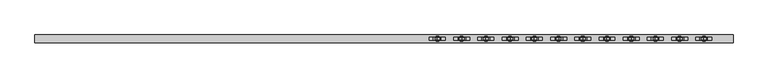
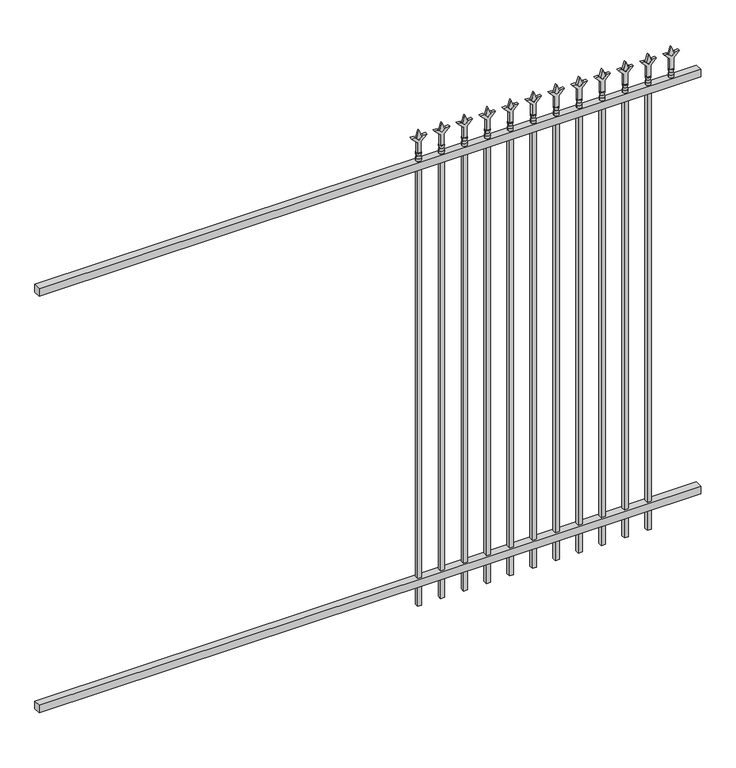
"""IFC4 building model written with IfcOpenShell, lengths in millimetres: railing geometry."""

from ifc_helpers import new_model, si_unit, frame, origin, place, context, project, spatial, polyline, circle_curve, outline, extrude, source, transform, mapped, element, save
from ifc_brep_helpers import plane_surface, cylinder_surface, revolved_surface, advanced_brep


def railing_66d29860(model_context):
    return source(origin(), model_context, "Body", "SolidModel", [
        extrude(outline(polyline([(-55249.318087, 3004.8804826), (-55249.318087, 3039.8054826), (-52099.718087, 3039.8054826), (-52099.718087, 3004.8804826), (-55249.318087, 3004.8804826)])), frame((0.0, 0.0, 2247.9), z_axis=(0.0, 0.0, 1.0), x_axis=(1.0, 0.0, 0.0)), (0.0, 0.0, 1.0), 38.1),
        extrude(outline(polyline([(-55249.318087, 3004.8804826), (-55249.318087, 3039.8054826), (-52099.718087, 3039.8054826), (-52099.718087, 3004.8804826), (-55249.318087, 3004.8804826)])), frame((0.0, 0.0, 152.4), z_axis=(0.0, 0.0, 1.0), x_axis=(1.0, 0.0, 0.0)), (0.0, 0.0, 1.0), 38.1),
        extrude(outline(polyline([(2402.68125, -52328.8472536), (2438.4, -52340.7535036), (2402.68125, -52352.6597536), (2390.775, -52340.7535036), (2402.68125, -52328.8472536)])), frame((0.0, 3017.5804826, 0.0), z_axis=(0.0, 1.0, 0.0), x_axis=(0.0, 0.0, 1.0)), (0.0, 0.0, 1.0), 9.525),
        extrude(outline(polyline([(2327.275, -52332.0222536), (2381.5457378, -52332.0222536), (2408.7355122, -52304.8324791), (2408.7355122, -52322.7929914), (2390.775, -52340.7535036), (2408.7355122, -52358.7140159), (2408.7355122, -52376.6745281), (2381.5457378, -52349.4847536), (2327.275, -52349.4847536), (2327.275, -52332.0222536)])), frame((0.0, 3015.9929826, 0.0), z_axis=(0.0, 1.0, 0.0), x_axis=(0.0, 0.0, 1.0)), (0.0, 0.0, 1.0), 12.7),
        advanced_brep(
        [(-52328.8472536, 3022.3429826, 2298.7), (-52352.6597536, 3022.3429826, 2298.7), (-52352.6597536, 3022.3429826, 2286.0), (-52328.8472536, 3022.3429826, 2286.0), (-52331.0525855, 3022.3429826, 2311.2070585), (-52350.4544218, 3022.3429826, 2311.2070585), (-52328.8472536, 3022.3429826, 2327.275), (-52352.6597536, 3022.3429826, 2327.275), (-52340.7535036, 3022.3429826, 2327.275), (-52340.7535036, 3022.3429826, 2286.0)],
        [
            (0, 1, circle_curve(frame((-52340.7535036, 3022.3429826, 2298.7), z_axis=(0.0, 0.0, -1.0), x_axis=(-1.0, 0.0, 0.0)), 11.90625)),
            (1, 2),
            (2, 3, circle_curve(frame((-52340.7535036, 3022.3429826, 2286.0), z_axis=(0.0, 0.0, 1.0), x_axis=(-1.0, 0.0, 0.0)), 11.90625)),
            (3, 0),
            (1, 0, circle_curve(frame((-52340.7535036, 3022.3429826, 2298.7), z_axis=(0.0, 0.0, -1.0), x_axis=(-1.0, 0.0, 0.0)), 11.90625)),
            (3, 2, circle_curve(frame((-52340.7535036, 3022.3429826, 2286.0), z_axis=(0.0, 0.0, 1.0), x_axis=(-1.0, 0.0, 0.0)), 11.90625)),
            (4, 5, circle_curve(frame((-52340.7535036, 3022.3429826, 2311.2070585), z_axis=(0.0, 0.0, -1.0), x_axis=(-1.0, 0.0, 0.0)), 9.7009181)),
            (5, 1),
            (0, 4),
            (5, 4, circle_curve(frame((-52340.7535036, 3022.3429826, 2311.2070585), z_axis=(0.0, 0.0, -1.0), x_axis=(-1.0, 0.0, 0.0)), 9.7009181)),
            (6, 7, circle_curve(frame((-52340.7535036, 3022.3429826, 2327.275), z_axis=(0.0, 0.0, -1.0), x_axis=(-1.0, 0.0, 0.0)), 11.90625)),
            (7, 5),
            (4, 6),
            (7, 6, circle_curve(frame((-52340.7535036, 3022.3429826, 2327.275), z_axis=(0.0, 0.0, -1.0), x_axis=(-1.0, 0.0, 0.0)), 11.90625)),
            (8, 7),
            (6, 8),
            (2, 9),
            (9, 3),
        ],
        [
            cylinder_surface(frame((-52340.7535036, 3022.3429826, 2286.0), z_axis=(0.0, 0.0, 1.0), x_axis=(-1.0, 0.0, 0.0)), 11.90625),
            revolved_surface(polyline([(-52352.6597536, 3022.3429826, 2298.7), (-52350.4544218, 3022.3429826, 2311.2070585)]), (-52340.7535036, 3022.3429826, 2286.0), (0.0, 0.0, 1.0)),
            revolved_surface(polyline([(-52350.4544218, 3022.3429826, 2311.2070585), (-52352.6597536, 3022.3429826, 2327.275)]), (-52340.7535036, 3022.3429826, 2286.0), (0.0, 0.0, 1.0)),
            plane_surface(frame((-52340.7535036, 3022.3429826, 2327.275), z_axis=(0.0, 0.0, 1.0), x_axis=(-1.0, 0.0, 0.0))),
            plane_surface(frame((-52340.7535036, 3022.3429826, 2286.0), z_axis=(0.0, 0.0, -1.0), x_axis=(-1.0, 0.0, 0.0))),
        ],
        [
            (0, [[1, 2, 3, 4]]),
            (0, [[5, -4, 6, -2]]),
            (1, [[7, 8, -1, 9]]),
            (1, [[10, -9, -5, -8]]),
            (2, [[11, 12, -7, 13]]),
            (2, [[14, -13, -10, -12]]),
            (3, [[15, -11, 16]]),
            (3, [[-16, -14, -15]]),
            (4, [[-3, 17, 18]]),
            (4, [[-6, -18, -17]]),
        ],
    ),
        extrude(outline(polyline([(-52350.2785036, 3031.8679826), (-52331.2285036, 3031.8679826), (-52331.2285036, 3012.8179826), (-52350.2785036, 3012.8179826), (-52350.2785036, 3031.8679826)])), frame((0.0, 0.0, 50.8), z_axis=(0.0, 0.0, 1.0), x_axis=(1.0, 0.0, 0.0)), (0.0, 0.0, 1.0), 2235.2),
        extrude(outline(polyline([(2402.68125, -52438.1201703), (2438.4, -52450.0264203), (2402.68125, -52461.9326703), (2390.775, -52450.0264203), (2402.68125, -52438.1201703)])), frame((0.0, 3017.5804826, 0.0), z_axis=(0.0, 1.0, 0.0), x_axis=(0.0, 0.0, 1.0)), (0.0, 0.0, 1.0), 9.525),
        extrude(outline(polyline([(2327.275, -52441.2951703), (2381.5457378, -52441.2951703), (2408.7355122, -52414.1053958), (2408.7355122, -52432.0659081), (2390.775, -52450.0264203), (2408.7355122, -52467.9869325), (2408.7355122, -52485.9474448), (2381.5457378, -52458.7576703), (2327.275, -52458.7576703), (2327.275, -52441.2951703)])), frame((0.0, 3015.9929826, 0.0), z_axis=(0.0, 1.0, 0.0), x_axis=(0.0, 0.0, 1.0)), (0.0, 0.0, 1.0), 12.7),
        advanced_brep(
        [(-52438.1201703, 3022.3429826, 2298.7), (-52461.9326703, 3022.3429826, 2298.7), (-52461.9326703, 3022.3429826, 2286.0), (-52438.1201703, 3022.3429826, 2286.0), (-52440.3255022, 3022.3429826, 2311.2070585), (-52459.7273384, 3022.3429826, 2311.2070585), (-52438.1201703, 3022.3429826, 2327.275), (-52461.9326703, 3022.3429826, 2327.275), (-52450.0264203, 3022.3429826, 2327.275), (-52450.0264203, 3022.3429826, 2286.0)],
        [
            (0, 1, circle_curve(frame((-52450.0264203, 3022.3429826, 2298.7), z_axis=(0.0, 0.0, -1.0), x_axis=(-1.0, 0.0, 0.0)), 11.90625)),
            (1, 2),
            (2, 3, circle_curve(frame((-52450.0264203, 3022.3429826, 2286.0), z_axis=(0.0, 0.0, 1.0), x_axis=(-1.0, 0.0, 0.0)), 11.90625)),
            (3, 0),
            (1, 0, circle_curve(frame((-52450.0264203, 3022.3429826, 2298.7), z_axis=(0.0, 0.0, -1.0), x_axis=(-1.0, 0.0, 0.0)), 11.90625)),
            (3, 2, circle_curve(frame((-52450.0264203, 3022.3429826, 2286.0), z_axis=(0.0, 0.0, 1.0), x_axis=(-1.0, 0.0, 0.0)), 11.90625)),
            (4, 5, circle_curve(frame((-52450.0264203, 3022.3429826, 2311.2070585), z_axis=(0.0, 0.0, -1.0), x_axis=(-1.0, 0.0, 0.0)), 9.7009181)),
            (5, 1),
            (0, 4),
            (5, 4, circle_curve(frame((-52450.0264203, 3022.3429826, 2311.2070585), z_axis=(0.0, 0.0, -1.0), x_axis=(-1.0, 0.0, 0.0)), 9.7009181)),
            (6, 7, circle_curve(frame((-52450.0264203, 3022.3429826, 2327.275), z_axis=(0.0, 0.0, -1.0), x_axis=(-1.0, 0.0, 0.0)), 11.90625)),
            (7, 5),
            (4, 6),
            (7, 6, circle_curve(frame((-52450.0264203, 3022.3429826, 2327.275), z_axis=(0.0, 0.0, -1.0), x_axis=(-1.0, 0.0, 0.0)), 11.90625)),
            (8, 7),
            (6, 8),
            (2, 9),
            (9, 3),
        ],
        [
            cylinder_surface(frame((-52450.0264203, 3022.3429826, 2286.0), z_axis=(0.0, 0.0, 1.0), x_axis=(-1.0, 0.0, 0.0)), 11.90625),
            revolved_surface(polyline([(-52461.9326703, 3022.3429826, 2298.7), (-52459.7273384, 3022.3429826, 2311.2070585)]), (-52450.0264203, 3022.3429826, 2286.0), (0.0, 0.0, 1.0)),
            revolved_surface(polyline([(-52459.7273384, 3022.3429826, 2311.2070585), (-52461.9326703, 3022.3429826, 2327.275)]), (-52450.0264203, 3022.3429826, 2286.0), (0.0, 0.0, 1.0)),
            plane_surface(frame((-52450.0264203, 3022.3429826, 2327.275), z_axis=(0.0, 0.0, 1.0), x_axis=(-1.0, 0.0, 0.0))),
            plane_surface(frame((-52450.0264203, 3022.3429826, 2286.0), z_axis=(0.0, 0.0, -1.0), x_axis=(-1.0, 0.0, 0.0))),
        ],
        [
            (0, [[1, 2, 3, 4]]),
            (0, [[5, -4, 6, -2]]),
            (1, [[7, 8, -1, 9]]),
            (1, [[10, -9, -5, -8]]),
            (2, [[11, 12, -7, 13]]),
            (2, [[14, -13, -10, -12]]),
            (3, [[15, -11, 16]]),
            (3, [[-16, -14, -15]]),
            (4, [[-3, 17, 18]]),
            (4, [[-6, -18, -17]]),
        ],
    ),
        extrude(outline(polyline([(-52459.5514203, 3031.8679826), (-52440.5014203, 3031.8679826), (-52440.5014203, 3012.8179826), (-52459.5514203, 3012.8179826), (-52459.5514203, 3031.8679826)])), frame((0.0, 0.0, 50.8), z_axis=(0.0, 0.0, 1.0), x_axis=(1.0, 0.0, 0.0)), (0.0, 0.0, 1.0), 2235.2),
        extrude(outline(polyline([(2402.68125, -52547.393087), (2438.4, -52559.299337), (2402.68125, -52571.205587), (2390.775, -52559.299337), (2402.68125, -52547.393087)])), frame((0.0, 3017.5804826, 0.0), z_axis=(0.0, 1.0, 0.0), x_axis=(0.0, 0.0, 1.0)), (0.0, 0.0, 1.0), 9.525),
        extrude(outline(polyline([(2327.275, -52550.568087), (2381.5457378, -52550.568087), (2408.7355122, -52523.3783125), (2408.7355122, -52541.3388247), (2390.775, -52559.299337), (2408.7355122, -52577.2598492), (2408.7355122, -52595.2203614), (2381.5457378, -52568.030587), (2327.275, -52568.030587), (2327.275, -52550.568087)])), frame((0.0, 3015.9929826, 0.0), z_axis=(0.0, 1.0, 0.0), x_axis=(0.0, 0.0, 1.0)), (0.0, 0.0, 1.0), 12.7),
        advanced_brep(
        [(-52547.393087, 3022.3429826, 2298.7), (-52571.205587, 3022.3429826, 2298.7), (-52571.205587, 3022.3429826, 2286.0), (-52547.393087, 3022.3429826, 2286.0), (-52549.5984188, 3022.3429826, 2311.2070585), (-52569.0002551, 3022.3429826, 2311.2070585), (-52547.393087, 3022.3429826, 2327.275), (-52571.205587, 3022.3429826, 2327.275), (-52559.299337, 3022.3429826, 2327.275), (-52559.299337, 3022.3429826, 2286.0)],
        [
            (0, 1, circle_curve(frame((-52559.299337, 3022.3429826, 2298.7), z_axis=(0.0, 0.0, -1.0), x_axis=(-1.0, 0.0, 0.0)), 11.90625)),
            (1, 2),
            (2, 3, circle_curve(frame((-52559.299337, 3022.3429826, 2286.0), z_axis=(0.0, 0.0, 1.0), x_axis=(-1.0, 0.0, 0.0)), 11.90625)),
            (3, 0),
            (1, 0, circle_curve(frame((-52559.299337, 3022.3429826, 2298.7), z_axis=(0.0, 0.0, -1.0), x_axis=(-1.0, 0.0, 0.0)), 11.90625)),
            (3, 2, circle_curve(frame((-52559.299337, 3022.3429826, 2286.0), z_axis=(0.0, 0.0, 1.0), x_axis=(-1.0, 0.0, 0.0)), 11.90625)),
            (4, 5, circle_curve(frame((-52559.299337, 3022.3429826, 2311.2070585), z_axis=(0.0, 0.0, -1.0), x_axis=(-1.0, 0.0, 0.0)), 9.7009181)),
            (5, 1),
            (0, 4),
            (5, 4, circle_curve(frame((-52559.299337, 3022.3429826, 2311.2070585), z_axis=(0.0, 0.0, -1.0), x_axis=(-1.0, 0.0, 0.0)), 9.7009181)),
            (6, 7, circle_curve(frame((-52559.299337, 3022.3429826, 2327.275), z_axis=(0.0, 0.0, -1.0), x_axis=(-1.0, 0.0, 0.0)), 11.90625)),
            (7, 5),
            (4, 6),
            (7, 6, circle_curve(frame((-52559.299337, 3022.3429826, 2327.275), z_axis=(0.0, 0.0, -1.0), x_axis=(-1.0, 0.0, 0.0)), 11.90625)),
            (8, 7),
            (6, 8),
            (2, 9),
            (9, 3),
        ],
        [
            cylinder_surface(frame((-52559.299337, 3022.3429826, 2286.0), z_axis=(0.0, 0.0, 1.0), x_axis=(-1.0, 0.0, 0.0)), 11.90625),
            revolved_surface(polyline([(-52571.205587, 3022.3429826, 2298.7), (-52569.0002551, 3022.3429826, 2311.2070585)]), (-52559.299337, 3022.3429826, 2286.0), (0.0, 0.0, 1.0)),
            revolved_surface(polyline([(-52569.0002551, 3022.3429826, 2311.2070585), (-52571.205587, 3022.3429826, 2327.275)]), (-52559.299337, 3022.3429826, 2286.0), (0.0, 0.0, 1.0)),
            plane_surface(frame((-52559.299337, 3022.3429826, 2327.275), z_axis=(0.0, 0.0, 1.0), x_axis=(-1.0, 0.0, 0.0))),
            plane_surface(frame((-52559.299337, 3022.3429826, 2286.0), z_axis=(0.0, 0.0, -1.0), x_axis=(-1.0, 0.0, 0.0))),
        ],
        [
            (0, [[1, 2, 3, 4]]),
            (0, [[5, -4, 6, -2]]),
            (1, [[7, 8, -1, 9]]),
            (1, [[10, -9, -5, -8]]),
            (2, [[11, 12, -7, 13]]),
            (2, [[14, -13, -10, -12]]),
            (3, [[15, -11, 16]]),
            (3, [[-16, -14, -15]]),
            (4, [[-3, 17, 18]]),
            (4, [[-6, -18, -17]]),
        ],
    ),
        extrude(outline(polyline([(-52568.824337, 3031.8679826), (-52549.774337, 3031.8679826), (-52549.774337, 3012.8179826), (-52568.824337, 3012.8179826), (-52568.824337, 3031.8679826)])), frame((0.0, 0.0, 50.8), z_axis=(0.0, 0.0, 1.0), x_axis=(1.0, 0.0, 0.0)), (0.0, 0.0, 1.0), 2235.2),
        extrude(outline(polyline([(2402.68125, -52656.6660036), (2438.4, -52668.5722536), (2402.68125, -52680.4785036), (2390.775, -52668.5722536), (2402.68125, -52656.6660036)])), frame((0.0, 3017.5804826, 0.0), z_axis=(0.0, 1.0, 0.0), x_axis=(0.0, 0.0, 1.0)), (0.0, 0.0, 1.0), 9.525),
        extrude(outline(polyline([(2327.275, -52659.8410036), (2381.5457378, -52659.8410036), (2408.7355122, -52632.6512291), (2408.7355122, -52650.6117414), (2390.775, -52668.5722536), (2408.7355122, -52686.5327659), (2408.7355122, -52704.4932781), (2381.5457378, -52677.3035036), (2327.275, -52677.3035036), (2327.275, -52659.8410036)])), frame((0.0, 3015.9929826, 0.0), z_axis=(0.0, 1.0, 0.0), x_axis=(0.0, 0.0, 1.0)), (0.0, 0.0, 1.0), 12.7),
        advanced_brep(
        [(-52656.6660036, 3022.3429826, 2298.7), (-52680.4785036, 3022.3429826, 2298.7), (-52680.4785036, 3022.3429826, 2286.0), (-52656.6660036, 3022.3429826, 2286.0), (-52658.8713355, 3022.3429826, 2311.2070585), (-52678.2731718, 3022.3429826, 2311.2070585), (-52656.6660036, 3022.3429826, 2327.275), (-52680.4785036, 3022.3429826, 2327.275), (-52668.5722536, 3022.3429826, 2327.275), (-52668.5722536, 3022.3429826, 2286.0)],
        [
            (0, 1, circle_curve(frame((-52668.5722536, 3022.3429826, 2298.7), z_axis=(0.0, 0.0, -1.0), x_axis=(-1.0, 0.0, 0.0)), 11.90625)),
            (1, 2),
            (2, 3, circle_curve(frame((-52668.5722536, 3022.3429826, 2286.0), z_axis=(0.0, 0.0, 1.0), x_axis=(-1.0, 0.0, 0.0)), 11.90625)),
            (3, 0),
            (1, 0, circle_curve(frame((-52668.5722536, 3022.3429826, 2298.7), z_axis=(0.0, 0.0, -1.0), x_axis=(-1.0, 0.0, 0.0)), 11.90625)),
            (3, 2, circle_curve(frame((-52668.5722536, 3022.3429826, 2286.0), z_axis=(0.0, 0.0, 1.0), x_axis=(-1.0, 0.0, 0.0)), 11.90625)),
            (4, 5, circle_curve(frame((-52668.5722536, 3022.3429826, 2311.2070585), z_axis=(0.0, 0.0, -1.0), x_axis=(-1.0, 0.0, 0.0)), 9.7009181)),
            (5, 1),
            (0, 4),
            (5, 4, circle_curve(frame((-52668.5722536, 3022.3429826, 2311.2070585), z_axis=(0.0, 0.0, -1.0), x_axis=(-1.0, 0.0, 0.0)), 9.7009181)),
            (6, 7, circle_curve(frame((-52668.5722536, 3022.3429826, 2327.275), z_axis=(0.0, 0.0, -1.0), x_axis=(-1.0, 0.0, 0.0)), 11.90625)),
            (7, 5),
            (4, 6),
            (7, 6, circle_curve(frame((-52668.5722536, 3022.3429826, 2327.275), z_axis=(0.0, 0.0, -1.0), x_axis=(-1.0, 0.0, 0.0)), 11.90625)),
            (8, 7),
            (6, 8),
            (2, 9),
            (9, 3),
        ],
        [
            cylinder_surface(frame((-52668.5722536, 3022.3429826, 2286.0), z_axis=(0.0, 0.0, 1.0), x_axis=(-1.0, 0.0, 0.0)), 11.90625),
            revolved_surface(polyline([(-52680.4785036, 3022.3429826, 2298.7), (-52678.2731718, 3022.3429826, 2311.2070585)]), (-52668.5722536, 3022.3429826, 2286.0), (0.0, 0.0, 1.0)),
            revolved_surface(polyline([(-52678.2731718, 3022.3429826, 2311.2070585), (-52680.4785036, 3022.3429826, 2327.275)]), (-52668.5722536, 3022.3429826, 2286.0), (0.0, 0.0, 1.0)),
            plane_surface(frame((-52668.5722536, 3022.3429826, 2327.275), z_axis=(0.0, 0.0, 1.0), x_axis=(-1.0, 0.0, 0.0))),
            plane_surface(frame((-52668.5722536, 3022.3429826, 2286.0), z_axis=(0.0, 0.0, -1.0), x_axis=(-1.0, 0.0, 0.0))),
        ],
        [
            (0, [[1, 2, 3, 4]]),
            (0, [[5, -4, 6, -2]]),
            (1, [[7, 8, -1, 9]]),
            (1, [[10, -9, -5, -8]]),
            (2, [[11, 12, -7, 13]]),
            (2, [[14, -13, -10, -12]]),
            (3, [[15, -11, 16]]),
            (3, [[-16, -14, -15]]),
            (4, [[-3, 17, 18]]),
            (4, [[-6, -18, -17]]),
        ],
    ),
        extrude(outline(polyline([(-52678.0972536, 3031.8679826), (-52659.0472536, 3031.8679826), (-52659.0472536, 3012.8179826), (-52678.0972536, 3012.8179826), (-52678.0972536, 3031.8679826)])), frame((0.0, 0.0, 50.8), z_axis=(0.0, 0.0, 1.0), x_axis=(1.0, 0.0, 0.0)), (0.0, 0.0, 1.0), 2235.2),
        extrude(outline(polyline([(2402.68125, -52765.9389203), (2438.4, -52777.8451703), (2402.68125, -52789.7514203), (2390.775, -52777.8451703), (2402.68125, -52765.9389203)])), frame((0.0, 3017.5804826, 0.0), z_axis=(0.0, 1.0, 0.0), x_axis=(0.0, 0.0, 1.0)), (0.0, 0.0, 1.0), 9.525),
        extrude(outline(polyline([(2327.275, -52769.1139203), (2381.5457378, -52769.1139203), (2408.7355122, -52741.9241458), (2408.7355122, -52759.8846581), (2390.775, -52777.8451703), (2408.7355122, -52795.8056825), (2408.7355122, -52813.7661948), (2381.5457378, -52786.5764203), (2327.275, -52786.5764203), (2327.275, -52769.1139203)])), frame((0.0, 3015.9929826, 0.0), z_axis=(0.0, 1.0, 0.0), x_axis=(0.0, 0.0, 1.0)), (0.0, 0.0, 1.0), 12.7),
        advanced_brep(
        [(-52765.9389203, 3022.3429826, 2298.7), (-52789.7514203, 3022.3429826, 2298.7), (-52789.7514203, 3022.3429826, 2286.0), (-52765.9389203, 3022.3429826, 2286.0), (-52768.1442522, 3022.3429826, 2311.2070585), (-52787.5460884, 3022.3429826, 2311.2070585), (-52765.9389203, 3022.3429826, 2327.275), (-52789.7514203, 3022.3429826, 2327.275), (-52777.8451703, 3022.3429826, 2327.275), (-52777.8451703, 3022.3429826, 2286.0)],
        [
            (0, 1, circle_curve(frame((-52777.8451703, 3022.3429826, 2298.7), z_axis=(0.0, 0.0, -1.0), x_axis=(-1.0, 0.0, 0.0)), 11.90625)),
            (1, 2),
            (2, 3, circle_curve(frame((-52777.8451703, 3022.3429826, 2286.0), z_axis=(0.0, 0.0, 1.0), x_axis=(-1.0, 0.0, 0.0)), 11.90625)),
            (3, 0),
            (1, 0, circle_curve(frame((-52777.8451703, 3022.3429826, 2298.7), z_axis=(0.0, 0.0, -1.0), x_axis=(-1.0, 0.0, 0.0)), 11.90625)),
            (3, 2, circle_curve(frame((-52777.8451703, 3022.3429826, 2286.0), z_axis=(0.0, 0.0, 1.0), x_axis=(-1.0, 0.0, 0.0)), 11.90625)),
            (4, 5, circle_curve(frame((-52777.8451703, 3022.3429826, 2311.2070585), z_axis=(0.0, 0.0, -1.0), x_axis=(-1.0, 0.0, 0.0)), 9.7009181)),
            (5, 1),
            (0, 4),
            (5, 4, circle_curve(frame((-52777.8451703, 3022.3429826, 2311.2070585), z_axis=(0.0, 0.0, -1.0), x_axis=(-1.0, 0.0, 0.0)), 9.7009181)),
            (6, 7, circle_curve(frame((-52777.8451703, 3022.3429826, 2327.275), z_axis=(0.0, 0.0, -1.0), x_axis=(-1.0, 0.0, 0.0)), 11.90625)),
            (7, 5),
            (4, 6),
            (7, 6, circle_curve(frame((-52777.8451703, 3022.3429826, 2327.275), z_axis=(0.0, 0.0, -1.0), x_axis=(-1.0, 0.0, 0.0)), 11.90625)),
            (8, 7),
            (6, 8),
            (2, 9),
            (9, 3),
        ],
        [
            cylinder_surface(frame((-52777.8451703, 3022.3429826, 2286.0), z_axis=(0.0, 0.0, 1.0), x_axis=(-1.0, 0.0, 0.0)), 11.90625),
            revolved_surface(polyline([(-52789.7514203, 3022.3429826, 2298.7), (-52787.5460884, 3022.3429826, 2311.2070585)]), (-52777.8451703, 3022.3429826, 2286.0), (0.0, 0.0, 1.0)),
            revolved_surface(polyline([(-52787.5460884, 3022.3429826, 2311.2070585), (-52789.7514203, 3022.3429826, 2327.275)]), (-52777.8451703, 3022.3429826, 2286.0), (0.0, 0.0, 1.0)),
            plane_surface(frame((-52777.8451703, 3022.3429826, 2327.275), z_axis=(0.0, 0.0, 1.0), x_axis=(-1.0, 0.0, 0.0))),
            plane_surface(frame((-52777.8451703, 3022.3429826, 2286.0), z_axis=(0.0, 0.0, -1.0), x_axis=(-1.0, 0.0, 0.0))),
        ],
        [
            (0, [[1, 2, 3, 4]]),
            (0, [[5, -4, 6, -2]]),
            (1, [[7, 8, -1, 9]]),
            (1, [[10, -9, -5, -8]]),
            (2, [[11, 12, -7, 13]]),
            (2, [[14, -13, -10, -12]]),
            (3, [[15, -11, 16]]),
            (3, [[-16, -14, -15]]),
            (4, [[-3, 17, 18]]),
            (4, [[-6, -18, -17]]),
        ],
    ),
        extrude(outline(polyline([(-52787.3701703, 3031.8679826), (-52768.3201703, 3031.8679826), (-52768.3201703, 3012.8179826), (-52787.3701703, 3012.8179826), (-52787.3701703, 3031.8679826)])), frame((0.0, 0.0, 50.8), z_axis=(0.0, 0.0, 1.0), x_axis=(1.0, 0.0, 0.0)), (0.0, 0.0, 1.0), 2235.2),
        extrude(outline(polyline([(2402.68125, -52875.211837), (2438.4, -52887.118087), (2402.68125, -52899.024337), (2390.775, -52887.118087), (2402.68125, -52875.211837)])), frame((0.0, 3017.5804826, 0.0), z_axis=(0.0, 1.0, 0.0), x_axis=(0.0, 0.0, 1.0)), (0.0, 0.0, 1.0), 9.525),
        extrude(outline(polyline([(2327.275, -52878.386837), (2381.5457378, -52878.386837), (2408.7355122, -52851.1970625), (2408.7355122, -52869.1575747), (2390.775, -52887.118087), (2408.7355122, -52905.0785992), (2408.7355122, -52923.0391114), (2381.5457378, -52895.849337), (2327.275, -52895.849337), (2327.275, -52878.386837)])), frame((0.0, 3015.9929826, 0.0), z_axis=(0.0, 1.0, 0.0), x_axis=(0.0, 0.0, 1.0)), (0.0, 0.0, 1.0), 12.7),
        advanced_brep(
        [(-52875.211837, 3022.3429826, 2298.7), (-52899.024337, 3022.3429826, 2298.7), (-52899.024337, 3022.3429826, 2286.0), (-52875.211837, 3022.3429826, 2286.0), (-52877.4171688, 3022.3429826, 2311.2070585), (-52896.8190051, 3022.3429826, 2311.2070585), (-52875.211837, 3022.3429826, 2327.275), (-52899.024337, 3022.3429826, 2327.275), (-52887.118087, 3022.3429826, 2327.275), (-52887.118087, 3022.3429826, 2286.0)],
        [
            (0, 1, circle_curve(frame((-52887.118087, 3022.3429826, 2298.7), z_axis=(0.0, 0.0, -1.0), x_axis=(-1.0, 0.0, 0.0)), 11.90625)),
            (1, 2),
            (2, 3, circle_curve(frame((-52887.118087, 3022.3429826, 2286.0), z_axis=(0.0, 0.0, 1.0), x_axis=(-1.0, 0.0, 0.0)), 11.90625)),
            (3, 0),
            (1, 0, circle_curve(frame((-52887.118087, 3022.3429826, 2298.7), z_axis=(0.0, 0.0, -1.0), x_axis=(-1.0, 0.0, 0.0)), 11.90625)),
            (3, 2, circle_curve(frame((-52887.118087, 3022.3429826, 2286.0), z_axis=(0.0, 0.0, 1.0), x_axis=(-1.0, 0.0, 0.0)), 11.90625)),
            (4, 5, circle_curve(frame((-52887.118087, 3022.3429826, 2311.2070585), z_axis=(0.0, 0.0, -1.0), x_axis=(-1.0, 0.0, 0.0)), 9.7009181)),
            (5, 1),
            (0, 4),
            (5, 4, circle_curve(frame((-52887.118087, 3022.3429826, 2311.2070585), z_axis=(0.0, 0.0, -1.0), x_axis=(-1.0, 0.0, 0.0)), 9.7009181)),
            (6, 7, circle_curve(frame((-52887.118087, 3022.3429826, 2327.275), z_axis=(0.0, 0.0, -1.0), x_axis=(-1.0, 0.0, 0.0)), 11.90625)),
            (7, 5),
            (4, 6),
            (7, 6, circle_curve(frame((-52887.118087, 3022.3429826, 2327.275), z_axis=(0.0, 0.0, -1.0), x_axis=(-1.0, 0.0, 0.0)), 11.90625)),
            (8, 7),
            (6, 8),
            (2, 9),
            (9, 3),
        ],
        [
            cylinder_surface(frame((-52887.118087, 3022.3429826, 2286.0), z_axis=(0.0, 0.0, 1.0), x_axis=(-1.0, 0.0, 0.0)), 11.90625),
            revolved_surface(polyline([(-52899.024337, 3022.3429826, 2298.7), (-52896.8190051, 3022.3429826, 2311.2070585)]), (-52887.118087, 3022.3429826, 2286.0), (0.0, 0.0, 1.0)),
            revolved_surface(polyline([(-52896.8190051, 3022.3429826, 2311.2070585), (-52899.024337, 3022.3429826, 2327.275)]), (-52887.118087, 3022.3429826, 2286.0), (0.0, 0.0, 1.0)),
            plane_surface(frame((-52887.118087, 3022.3429826, 2327.275), z_axis=(0.0, 0.0, 1.0), x_axis=(-1.0, 0.0, 0.0))),
            plane_surface(frame((-52887.118087, 3022.3429826, 2286.0), z_axis=(0.0, 0.0, -1.0), x_axis=(-1.0, 0.0, 0.0))),
        ],
        [
            (0, [[1, 2, 3, 4]]),
            (0, [[5, -4, 6, -2]]),
            (1, [[7, 8, -1, 9]]),
            (1, [[10, -9, -5, -8]]),
            (2, [[11, 12, -7, 13]]),
            (2, [[14, -13, -10, -12]]),
            (3, [[15, -11, 16]]),
            (3, [[-16, -14, -15]]),
            (4, [[-3, 17, 18]]),
            (4, [[-6, -18, -17]]),
        ],
    ),
        extrude(outline(polyline([(-52896.643087, 3031.8679826), (-52877.593087, 3031.8679826), (-52877.593087, 3012.8179826), (-52896.643087, 3012.8179826), (-52896.643087, 3031.8679826)])), frame((0.0, 0.0, 50.8), z_axis=(0.0, 0.0, 1.0), x_axis=(1.0, 0.0, 0.0)), (0.0, 0.0, 1.0), 2235.2),
        extrude(outline(polyline([(2402.68125, -52984.4847536), (2438.4, -52996.3910036), (2402.68125, -53008.2972536), (2390.775, -52996.3910036), (2402.68125, -52984.4847536)])), frame((0.0, 3017.5804826, 0.0), z_axis=(0.0, 1.0, 0.0), x_axis=(0.0, 0.0, 1.0)), (0.0, 0.0, 1.0), 9.525),
        extrude(outline(polyline([(2327.275, -52987.6597536), (2381.5457378, -52987.6597536), (2408.7355122, -52960.4699791), (2408.7355122, -52978.4304914), (2390.775, -52996.3910036), (2408.7355122, -53014.3515159), (2408.7355122, -53032.3120281), (2381.5457378, -53005.1222536), (2327.275, -53005.1222536), (2327.275, -52987.6597536)])), frame((0.0, 3015.9929826, 0.0), z_axis=(0.0, 1.0, 0.0), x_axis=(0.0, 0.0, 1.0)), (0.0, 0.0, 1.0), 12.7),
        advanced_brep(
        [(-52984.4847536, 3022.3429826, 2298.7), (-53008.2972536, 3022.3429826, 2298.7), (-53008.2972536, 3022.3429826, 2286.0), (-52984.4847536, 3022.3429826, 2286.0), (-52986.6900855, 3022.3429826, 2311.2070585), (-53006.0919218, 3022.3429826, 2311.2070585), (-52984.4847536, 3022.3429826, 2327.275), (-53008.2972536, 3022.3429826, 2327.275), (-52996.3910036, 3022.3429826, 2327.275), (-52996.3910036, 3022.3429826, 2286.0)],
        [
            (0, 1, circle_curve(frame((-52996.3910036, 3022.3429826, 2298.7), z_axis=(0.0, 0.0, -1.0), x_axis=(-1.0, 0.0, 0.0)), 11.90625)),
            (1, 2),
            (2, 3, circle_curve(frame((-52996.3910036, 3022.3429826, 2286.0), z_axis=(0.0, 0.0, 1.0), x_axis=(-1.0, 0.0, 0.0)), 11.90625)),
            (3, 0),
            (1, 0, circle_curve(frame((-52996.3910036, 3022.3429826, 2298.7), z_axis=(0.0, 0.0, -1.0), x_axis=(-1.0, 0.0, 0.0)), 11.90625)),
            (3, 2, circle_curve(frame((-52996.3910036, 3022.3429826, 2286.0), z_axis=(0.0, 0.0, 1.0), x_axis=(-1.0, 0.0, 0.0)), 11.90625)),
            (4, 5, circle_curve(frame((-52996.3910036, 3022.3429826, 2311.2070585), z_axis=(0.0, 0.0, -1.0), x_axis=(-1.0, 0.0, 0.0)), 9.7009181)),
            (5, 1),
            (0, 4),
            (5, 4, circle_curve(frame((-52996.3910036, 3022.3429826, 2311.2070585), z_axis=(0.0, 0.0, -1.0), x_axis=(-1.0, 0.0, 0.0)), 9.7009181)),
            (6, 7, circle_curve(frame((-52996.3910036, 3022.3429826, 2327.275), z_axis=(0.0, 0.0, -1.0), x_axis=(-1.0, 0.0, 0.0)), 11.90625)),
            (7, 5),
            (4, 6),
            (7, 6, circle_curve(frame((-52996.3910036, 3022.3429826, 2327.275), z_axis=(0.0, 0.0, -1.0), x_axis=(-1.0, 0.0, 0.0)), 11.90625)),
            (8, 7),
            (6, 8),
            (2, 9),
            (9, 3),
        ],
        [
            cylinder_surface(frame((-52996.3910036, 3022.3429826, 2286.0), z_axis=(0.0, 0.0, 1.0), x_axis=(-1.0, 0.0, 0.0)), 11.90625),
            revolved_surface(polyline([(-53008.2972536, 3022.3429826, 2298.7), (-53006.0919218, 3022.3429826, 2311.2070585)]), (-52996.3910036, 3022.3429826, 2286.0), (0.0, 0.0, 1.0)),
            revolved_surface(polyline([(-53006.0919218, 3022.3429826, 2311.2070585), (-53008.2972536, 3022.3429826, 2327.275)]), (-52996.3910036, 3022.3429826, 2286.0), (0.0, 0.0, 1.0)),
            plane_surface(frame((-52996.3910036, 3022.3429826, 2327.275), z_axis=(0.0, 0.0, 1.0), x_axis=(-1.0, 0.0, 0.0))),
            plane_surface(frame((-52996.3910036, 3022.3429826, 2286.0), z_axis=(0.0, 0.0, -1.0), x_axis=(-1.0, 0.0, 0.0))),
        ],
        [
            (0, [[1, 2, 3, 4]]),
            (0, [[5, -4, 6, -2]]),
            (1, [[7, 8, -1, 9]]),
            (1, [[10, -9, -5, -8]]),
            (2, [[11, 12, -7, 13]]),
            (2, [[14, -13, -10, -12]]),
            (3, [[15, -11, 16]]),
            (3, [[-16, -14, -15]]),
            (4, [[-3, 17, 18]]),
            (4, [[-6, -18, -17]]),
        ],
    ),
        extrude(outline(polyline([(-53005.9160036, 3031.8679826), (-52986.8660036, 3031.8679826), (-52986.8660036, 3012.8179826), (-53005.9160036, 3012.8179826), (-53005.9160036, 3031.8679826)])), frame((0.0, 0.0, 50.8), z_axis=(0.0, 0.0, 1.0), x_axis=(1.0, 0.0, 0.0)), (0.0, 0.0, 1.0), 2235.2),
        extrude(outline(polyline([(2402.68125, -53093.7576703), (2438.4, -53105.6639203), (2402.68125, -53117.5701703), (2390.775, -53105.6639203), (2402.68125, -53093.7576703)])), frame((0.0, 3017.5804826, 0.0), z_axis=(0.0, 1.0, 0.0), x_axis=(0.0, 0.0, 1.0)), (0.0, 0.0, 1.0), 9.525),
        extrude(outline(polyline([(2327.275, -53096.9326703), (2381.5457378, -53096.9326703), (2408.7355122, -53069.7428958), (2408.7355122, -53087.7034081), (2390.775, -53105.6639203), (2408.7355122, -53123.6244325), (2408.7355122, -53141.5849448), (2381.5457378, -53114.3951703), (2327.275, -53114.3951703), (2327.275, -53096.9326703)])), frame((0.0, 3015.9929826, 0.0), z_axis=(0.0, 1.0, 0.0), x_axis=(0.0, 0.0, 1.0)), (0.0, 0.0, 1.0), 12.7),
        advanced_brep(
        [(-53093.7576703, 3022.3429826, 2298.7), (-53117.5701703, 3022.3429826, 2298.7), (-53117.5701703, 3022.3429826, 2286.0), (-53093.7576703, 3022.3429826, 2286.0), (-53095.9630022, 3022.3429826, 2311.2070585), (-53115.3648384, 3022.3429826, 2311.2070585), (-53093.7576703, 3022.3429826, 2327.275), (-53117.5701703, 3022.3429826, 2327.275), (-53105.6639203, 3022.3429826, 2327.275), (-53105.6639203, 3022.3429826, 2286.0)],
        [
            (0, 1, circle_curve(frame((-53105.6639203, 3022.3429826, 2298.7), z_axis=(0.0, 0.0, -1.0), x_axis=(-1.0, 0.0, 0.0)), 11.90625)),
            (1, 2),
            (2, 3, circle_curve(frame((-53105.6639203, 3022.3429826, 2286.0), z_axis=(0.0, 0.0, 1.0), x_axis=(-1.0, 0.0, 0.0)), 11.90625)),
            (3, 0),
            (1, 0, circle_curve(frame((-53105.6639203, 3022.3429826, 2298.7), z_axis=(0.0, 0.0, -1.0), x_axis=(-1.0, 0.0, 0.0)), 11.90625)),
            (3, 2, circle_curve(frame((-53105.6639203, 3022.3429826, 2286.0), z_axis=(0.0, 0.0, 1.0), x_axis=(-1.0, 0.0, 0.0)), 11.90625)),
            (4, 5, circle_curve(frame((-53105.6639203, 3022.3429826, 2311.2070585), z_axis=(0.0, 0.0, -1.0), x_axis=(-1.0, 0.0, 0.0)), 9.7009181)),
            (5, 1),
            (0, 4),
            (5, 4, circle_curve(frame((-53105.6639203, 3022.3429826, 2311.2070585), z_axis=(0.0, 0.0, -1.0), x_axis=(-1.0, 0.0, 0.0)), 9.7009181)),
            (6, 7, circle_curve(frame((-53105.6639203, 3022.3429826, 2327.275), z_axis=(0.0, 0.0, -1.0), x_axis=(-1.0, 0.0, 0.0)), 11.90625)),
            (7, 5),
            (4, 6),
            (7, 6, circle_curve(frame((-53105.6639203, 3022.3429826, 2327.275), z_axis=(0.0, 0.0, -1.0), x_axis=(-1.0, 0.0, 0.0)), 11.90625)),
            (8, 7),
            (6, 8),
            (2, 9),
            (9, 3),
        ],
        [
            cylinder_surface(frame((-53105.6639203, 3022.3429826, 2286.0), z_axis=(0.0, 0.0, 1.0), x_axis=(-1.0, 0.0, 0.0)), 11.90625),
            revolved_surface(polyline([(-53117.5701703, 3022.3429826, 2298.7), (-53115.3648384, 3022.3429826, 2311.2070585)]), (-53105.6639203, 3022.3429826, 2286.0), (0.0, 0.0, 1.0)),
            revolved_surface(polyline([(-53115.3648384, 3022.3429826, 2311.2070585), (-53117.5701703, 3022.3429826, 2327.275)]), (-53105.6639203, 3022.3429826, 2286.0), (0.0, 0.0, 1.0)),
            plane_surface(frame((-53105.6639203, 3022.3429826, 2327.275), z_axis=(0.0, 0.0, 1.0), x_axis=(-1.0, 0.0, 0.0))),
            plane_surface(frame((-53105.6639203, 3022.3429826, 2286.0), z_axis=(0.0, 0.0, -1.0), x_axis=(-1.0, 0.0, 0.0))),
        ],
        [
            (0, [[1, 2, 3, 4]]),
            (0, [[5, -4, 6, -2]]),
            (1, [[7, 8, -1, 9]]),
            (1, [[10, -9, -5, -8]]),
            (2, [[11, 12, -7, 13]]),
            (2, [[14, -13, -10, -12]]),
            (3, [[15, -11, 16]]),
            (3, [[-16, -14, -15]]),
            (4, [[-3, 17, 18]]),
            (4, [[-6, -18, -17]]),
        ],
    ),
        extrude(outline(polyline([(-53115.1889203, 3031.8679826), (-53096.1389203, 3031.8679826), (-53096.1389203, 3012.8179826), (-53115.1889203, 3012.8179826), (-53115.1889203, 3031.8679826)])), frame((0.0, 0.0, 50.8), z_axis=(0.0, 0.0, 1.0), x_axis=(1.0, 0.0, 0.0)), (0.0, 0.0, 1.0), 2235.2),
        extrude(outline(polyline([(2402.68125, -53203.030587), (2438.4, -53214.936837), (2402.68125, -53226.843087), (2390.775, -53214.936837), (2402.68125, -53203.030587)])), frame((0.0, 3017.5804826, 0.0), z_axis=(0.0, 1.0, 0.0), x_axis=(0.0, 0.0, 1.0)), (0.0, 0.0, 1.0), 9.525),
        extrude(outline(polyline([(2327.275, -53206.205587), (2381.5457378, -53206.205587), (2408.7355122, -53179.0158125), (2408.7355122, -53196.9763247), (2390.775, -53214.936837), (2408.7355122, -53232.8973492), (2408.7355122, -53250.8578614), (2381.5457378, -53223.668087), (2327.275, -53223.668087), (2327.275, -53206.205587)])), frame((0.0, 3015.9929826, 0.0), z_axis=(0.0, 1.0, 0.0), x_axis=(0.0, 0.0, 1.0)), (0.0, 0.0, 1.0), 12.7),
        advanced_brep(
        [(-53203.030587, 3022.3429826, 2298.7), (-53226.843087, 3022.3429826, 2298.7), (-53226.843087, 3022.3429826, 2286.0), (-53203.030587, 3022.3429826, 2286.0), (-53205.2359188, 3022.3429826, 2311.2070585), (-53224.6377551, 3022.3429826, 2311.2070585), (-53203.030587, 3022.3429826, 2327.275), (-53226.843087, 3022.3429826, 2327.275), (-53214.936837, 3022.3429826, 2327.275), (-53214.936837, 3022.3429826, 2286.0)],
        [
            (0, 1, circle_curve(frame((-53214.936837, 3022.3429826, 2298.7), z_axis=(0.0, 0.0, -1.0), x_axis=(-1.0, 0.0, 0.0)), 11.90625)),
            (1, 2),
            (2, 3, circle_curve(frame((-53214.936837, 3022.3429826, 2286.0), z_axis=(0.0, 0.0, 1.0), x_axis=(-1.0, 0.0, 0.0)), 11.90625)),
            (3, 0),
            (1, 0, circle_curve(frame((-53214.936837, 3022.3429826, 2298.7), z_axis=(0.0, 0.0, -1.0), x_axis=(-1.0, 0.0, 0.0)), 11.90625)),
            (3, 2, circle_curve(frame((-53214.936837, 3022.3429826, 2286.0), z_axis=(0.0, 0.0, 1.0), x_axis=(-1.0, 0.0, 0.0)), 11.90625)),
            (4, 5, circle_curve(frame((-53214.936837, 3022.3429826, 2311.2070585), z_axis=(0.0, 0.0, -1.0), x_axis=(-1.0, 0.0, 0.0)), 9.7009181)),
            (5, 1),
            (0, 4),
            (5, 4, circle_curve(frame((-53214.936837, 3022.3429826, 2311.2070585), z_axis=(0.0, 0.0, -1.0), x_axis=(-1.0, 0.0, 0.0)), 9.7009181)),
            (6, 7, circle_curve(frame((-53214.936837, 3022.3429826, 2327.275), z_axis=(0.0, 0.0, -1.0), x_axis=(-1.0, 0.0, 0.0)), 11.90625)),
            (7, 5),
            (4, 6),
            (7, 6, circle_curve(frame((-53214.936837, 3022.3429826, 2327.275), z_axis=(0.0, 0.0, -1.0), x_axis=(-1.0, 0.0, 0.0)), 11.90625)),
            (8, 7),
            (6, 8),
            (2, 9),
            (9, 3),
        ],
        [
            cylinder_surface(frame((-53214.936837, 3022.3429826, 2286.0), z_axis=(0.0, 0.0, 1.0), x_axis=(-1.0, 0.0, 0.0)), 11.90625),
            revolved_surface(polyline([(-53226.843087, 3022.3429826, 2298.7), (-53224.6377551, 3022.3429826, 2311.2070585)]), (-53214.936837, 3022.3429826, 2286.0), (0.0, 0.0, 1.0)),
            revolved_surface(polyline([(-53224.6377551, 3022.3429826, 2311.2070585), (-53226.843087, 3022.3429826, 2327.275)]), (-53214.936837, 3022.3429826, 2286.0), (0.0, 0.0, 1.0)),
            plane_surface(frame((-53214.936837, 3022.3429826, 2327.275), z_axis=(0.0, 0.0, 1.0), x_axis=(-1.0, 0.0, 0.0))),
            plane_surface(frame((-53214.936837, 3022.3429826, 2286.0), z_axis=(0.0, 0.0, -1.0), x_axis=(-1.0, 0.0, 0.0))),
        ],
        [
            (0, [[1, 2, 3, 4]]),
            (0, [[5, -4, 6, -2]]),
            (1, [[7, 8, -1, 9]]),
            (1, [[10, -9, -5, -8]]),
            (2, [[11, 12, -7, 13]]),
            (2, [[14, -13, -10, -12]]),
            (3, [[15, -11, 16]]),
            (3, [[-16, -14, -15]]),
            (4, [[-3, 17, 18]]),
            (4, [[-6, -18, -17]]),
        ],
    ),
        extrude(outline(polyline([(-53224.461837, 3031.8679826), (-53205.411837, 3031.8679826), (-53205.411837, 3012.8179826), (-53224.461837, 3012.8179826), (-53224.461837, 3031.8679826)])), frame((0.0, 0.0, 50.8), z_axis=(0.0, 0.0, 1.0), x_axis=(1.0, 0.0, 0.0)), (0.0, 0.0, 1.0), 2235.2),
        extrude(outline(polyline([(2402.68125, -53312.3035036), (2438.4, -53324.2097536), (2402.68125, -53336.1160036), (2390.775, -53324.2097536), (2402.68125, -53312.3035036)])), frame((0.0, 3017.5804826, 0.0), z_axis=(0.0, 1.0, 0.0), x_axis=(0.0, 0.0, 1.0)), (0.0, 0.0, 1.0), 9.525),
        extrude(outline(polyline([(2327.275, -53315.4785036), (2381.5457378, -53315.4785036), (2408.7355122, -53288.2887291), (2408.7355122, -53306.2492414), (2390.775, -53324.2097536), (2408.7355122, -53342.1702659), (2408.7355122, -53360.1307781), (2381.5457378, -53332.9410036), (2327.275, -53332.9410036), (2327.275, -53315.4785036)])), frame((0.0, 3015.9929826, 0.0), z_axis=(0.0, 1.0, 0.0), x_axis=(0.0, 0.0, 1.0)), (0.0, 0.0, 1.0), 12.7),
        advanced_brep(
        [(-53312.3035036, 3022.3429826, 2298.7), (-53336.1160036, 3022.3429826, 2298.7), (-53336.1160036, 3022.3429826, 2286.0), (-53312.3035036, 3022.3429826, 2286.0), (-53314.5088355, 3022.3429826, 2311.2070585), (-53333.9106718, 3022.3429826, 2311.2070585), (-53312.3035036, 3022.3429826, 2327.275), (-53336.1160036, 3022.3429826, 2327.275), (-53324.2097536, 3022.3429826, 2327.275), (-53324.2097536, 3022.3429826, 2286.0)],
        [
            (0, 1, circle_curve(frame((-53324.2097536, 3022.3429826, 2298.7), z_axis=(0.0, 0.0, -1.0), x_axis=(-1.0, 0.0, 0.0)), 11.90625)),
            (1, 2),
            (2, 3, circle_curve(frame((-53324.2097536, 3022.3429826, 2286.0), z_axis=(0.0, 0.0, 1.0), x_axis=(-1.0, 0.0, 0.0)), 11.90625)),
            (3, 0),
            (1, 0, circle_curve(frame((-53324.2097536, 3022.3429826, 2298.7), z_axis=(0.0, 0.0, -1.0), x_axis=(-1.0, 0.0, 0.0)), 11.90625)),
            (3, 2, circle_curve(frame((-53324.2097536, 3022.3429826, 2286.0), z_axis=(0.0, 0.0, 1.0), x_axis=(-1.0, 0.0, 0.0)), 11.90625)),
            (4, 5, circle_curve(frame((-53324.2097536, 3022.3429826, 2311.2070585), z_axis=(0.0, 0.0, -1.0), x_axis=(-1.0, 0.0, 0.0)), 9.7009181)),
            (5, 1),
            (0, 4),
            (5, 4, circle_curve(frame((-53324.2097536, 3022.3429826, 2311.2070585), z_axis=(0.0, 0.0, -1.0), x_axis=(-1.0, 0.0, 0.0)), 9.7009181)),
            (6, 7, circle_curve(frame((-53324.2097536, 3022.3429826, 2327.275), z_axis=(0.0, 0.0, -1.0), x_axis=(-1.0, 0.0, 0.0)), 11.90625)),
            (7, 5),
            (4, 6),
            (7, 6, circle_curve(frame((-53324.2097536, 3022.3429826, 2327.275), z_axis=(0.0, 0.0, -1.0), x_axis=(-1.0, 0.0, 0.0)), 11.90625)),
            (8, 7),
            (6, 8),
            (2, 9),
            (9, 3),
        ],
        [
            cylinder_surface(frame((-53324.2097536, 3022.3429826, 2286.0), z_axis=(0.0, 0.0, 1.0), x_axis=(-1.0, 0.0, 0.0)), 11.90625),
            revolved_surface(polyline([(-53336.1160036, 3022.3429826, 2298.7), (-53333.9106718, 3022.3429826, 2311.2070585)]), (-53324.2097536, 3022.3429826, 2286.0), (0.0, 0.0, 1.0)),
            revolved_surface(polyline([(-53333.9106718, 3022.3429826, 2311.2070585), (-53336.1160036, 3022.3429826, 2327.275)]), (-53324.2097536, 3022.3429826, 2286.0), (0.0, 0.0, 1.0)),
            plane_surface(frame((-53324.2097536, 3022.3429826, 2327.275), z_axis=(0.0, 0.0, 1.0), x_axis=(-1.0, 0.0, 0.0))),
            plane_surface(frame((-53324.2097536, 3022.3429826, 2286.0), z_axis=(0.0, 0.0, -1.0), x_axis=(-1.0, 0.0, 0.0))),
        ],
        [
            (0, [[1, 2, 3, 4]]),
            (0, [[5, -4, 6, -2]]),
            (1, [[7, 8, -1, 9]]),
            (1, [[10, -9, -5, -8]]),
            (2, [[11, 12, -7, 13]]),
            (2, [[14, -13, -10, -12]]),
            (3, [[15, -11, 16]]),
            (3, [[-16, -14, -15]]),
            (4, [[-3, 17, 18]]),
            (4, [[-6, -18, -17]]),
        ],
    ),
        extrude(outline(polyline([(-53333.7347536, 3031.8679826), (-53314.6847536, 3031.8679826), (-53314.6847536, 3012.8179826), (-53333.7347536, 3012.8179826), (-53333.7347536, 3031.8679826)])), frame((0.0, 0.0, 50.8), z_axis=(0.0, 0.0, 1.0), x_axis=(1.0, 0.0, 0.0)), (0.0, 0.0, 1.0), 2235.2),
        extrude(outline(polyline([(2402.68125, -53421.5764203), (2438.4, -53433.4826703), (2402.68125, -53445.3889203), (2390.775, -53433.4826703), (2402.68125, -53421.5764203)])), frame((0.0, 3017.5804826, 0.0), z_axis=(0.0, 1.0, 0.0), x_axis=(0.0, 0.0, 1.0)), (0.0, 0.0, 1.0), 9.525),
        extrude(outline(polyline([(2327.275, -53424.7514203), (2381.5457378, -53424.7514203), (2408.7355122, -53397.5616458), (2408.7355122, -53415.5221581), (2390.775, -53433.4826703), (2408.7355122, -53451.4431825), (2408.7355122, -53469.4036948), (2381.5457378, -53442.2139203), (2327.275, -53442.2139203), (2327.275, -53424.7514203)])), frame((0.0, 3015.9929826, 0.0), z_axis=(0.0, 1.0, 0.0), x_axis=(0.0, 0.0, 1.0)), (0.0, 0.0, 1.0), 12.7),
        advanced_brep(
        [(-53421.5764203, 3022.3429826, 2298.7), (-53445.3889203, 3022.3429826, 2298.7), (-53445.3889203, 3022.3429826, 2286.0), (-53421.5764203, 3022.3429826, 2286.0), (-53423.7817522, 3022.3429826, 2311.2070585), (-53443.1835884, 3022.3429826, 2311.2070585), (-53421.5764203, 3022.3429826, 2327.275), (-53445.3889203, 3022.3429826, 2327.275), (-53433.4826703, 3022.3429826, 2327.275), (-53433.4826703, 3022.3429826, 2286.0)],
        [
            (0, 1, circle_curve(frame((-53433.4826703, 3022.3429826, 2298.7), z_axis=(0.0, 0.0, -1.0), x_axis=(-1.0, 0.0, 0.0)), 11.90625)),
            (1, 2),
            (2, 3, circle_curve(frame((-53433.4826703, 3022.3429826, 2286.0), z_axis=(0.0, 0.0, 1.0), x_axis=(-1.0, 0.0, 0.0)), 11.90625)),
            (3, 0),
            (1, 0, circle_curve(frame((-53433.4826703, 3022.3429826, 2298.7), z_axis=(0.0, 0.0, -1.0), x_axis=(-1.0, 0.0, 0.0)), 11.90625)),
            (3, 2, circle_curve(frame((-53433.4826703, 3022.3429826, 2286.0), z_axis=(0.0, 0.0, 1.0), x_axis=(-1.0, 0.0, 0.0)), 11.90625)),
            (4, 5, circle_curve(frame((-53433.4826703, 3022.3429826, 2311.2070585), z_axis=(0.0, 0.0, -1.0), x_axis=(-1.0, 0.0, 0.0)), 9.7009181)),
            (5, 1),
            (0, 4),
            (5, 4, circle_curve(frame((-53433.4826703, 3022.3429826, 2311.2070585), z_axis=(0.0, 0.0, -1.0), x_axis=(-1.0, 0.0, 0.0)), 9.7009181)),
            (6, 7, circle_curve(frame((-53433.4826703, 3022.3429826, 2327.275), z_axis=(0.0, 0.0, -1.0), x_axis=(-1.0, 0.0, 0.0)), 11.90625)),
            (7, 5),
            (4, 6),
            (7, 6, circle_curve(frame((-53433.4826703, 3022.3429826, 2327.275), z_axis=(0.0, 0.0, -1.0), x_axis=(-1.0, 0.0, 0.0)), 11.90625)),
            (8, 7),
            (6, 8),
            (2, 9),
            (9, 3),
        ],
        [
            cylinder_surface(frame((-53433.4826703, 3022.3429826, 2286.0), z_axis=(0.0, 0.0, 1.0), x_axis=(-1.0, 0.0, 0.0)), 11.90625),
            revolved_surface(polyline([(-53445.3889203, 3022.3429826, 2298.7), (-53443.1835884, 3022.3429826, 2311.2070585)]), (-53433.4826703, 3022.3429826, 2286.0), (0.0, 0.0, 1.0)),
            revolved_surface(polyline([(-53443.1835884, 3022.3429826, 2311.2070585), (-53445.3889203, 3022.3429826, 2327.275)]), (-53433.4826703, 3022.3429826, 2286.0), (0.0, 0.0, 1.0)),
            plane_surface(frame((-53433.4826703, 3022.3429826, 2327.275), z_axis=(0.0, 0.0, 1.0), x_axis=(-1.0, 0.0, 0.0))),
            plane_surface(frame((-53433.4826703, 3022.3429826, 2286.0), z_axis=(0.0, 0.0, -1.0), x_axis=(-1.0, 0.0, 0.0))),
        ],
        [
            (0, [[1, 2, 3, 4]]),
            (0, [[5, -4, 6, -2]]),
            (1, [[7, 8, -1, 9]]),
            (1, [[10, -9, -5, -8]]),
            (2, [[11, 12, -7, 13]]),
            (2, [[14, -13, -10, -12]]),
            (3, [[15, -11, 16]]),
            (3, [[-16, -14, -15]]),
            (4, [[-3, 17, 18]]),
            (4, [[-6, -18, -17]]),
        ],
    ),
        extrude(outline(polyline([(-53443.0076703, 3031.8679826), (-53423.9576703, 3031.8679826), (-53423.9576703, 3012.8179826), (-53443.0076703, 3012.8179826), (-53443.0076703, 3031.8679826)])), frame((0.0, 0.0, 50.8), z_axis=(0.0, 0.0, 1.0), x_axis=(1.0, 0.0, 0.0)), (0.0, 0.0, 1.0), 2235.2),
        extrude(outline(polyline([(2402.68125, -52219.574337), (2438.4, -52231.480587), (2402.68125, -52243.386837), (2390.775, -52231.480587), (2402.68125, -52219.574337)])), frame((0.0, 3017.5804826, 0.0), z_axis=(0.0, 1.0, 0.0), x_axis=(0.0, 0.0, 1.0)), (0.0, 0.0, 1.0), 9.525),
        extrude(outline(polyline([(2327.275, -52222.749337), (2381.5457378, -52222.749337), (2408.7355122, -52195.5595625), (2408.7355122, -52213.5200747), (2390.775, -52231.480587), (2408.7355122, -52249.4410992), (2408.7355122, -52267.4016114), (2381.5457378, -52240.211837), (2327.275, -52240.211837), (2327.275, -52222.749337)])), frame((0.0, 3015.9929826, 0.0), z_axis=(0.0, 1.0, 0.0), x_axis=(0.0, 0.0, 1.0)), (0.0, 0.0, 1.0), 12.7),
        advanced_brep(
        [(-52219.574337, 3022.3429826, 2298.7), (-52243.386837, 3022.3429826, 2298.7), (-52243.386837, 3022.3429826, 2286.0), (-52219.574337, 3022.3429826, 2286.0), (-52221.7796688, 3022.3429826, 2311.2070585), (-52241.1815051, 3022.3429826, 2311.2070585), (-52219.574337, 3022.3429826, 2327.275), (-52243.386837, 3022.3429826, 2327.275), (-52231.480587, 3022.3429826, 2327.275), (-52231.480587, 3022.3429826, 2286.0)],
        [
            (0, 1, circle_curve(frame((-52231.480587, 3022.3429826, 2298.7), z_axis=(0.0, 0.0, -1.0), x_axis=(-1.0, 0.0, 0.0)), 11.90625)),
            (1, 2),
            (2, 3, circle_curve(frame((-52231.480587, 3022.3429826, 2286.0), z_axis=(0.0, 0.0, 1.0), x_axis=(-1.0, 0.0, 0.0)), 11.90625)),
            (3, 0),
            (1, 0, circle_curve(frame((-52231.480587, 3022.3429826, 2298.7), z_axis=(0.0, 0.0, -1.0), x_axis=(-1.0, 0.0, 0.0)), 11.90625)),
            (3, 2, circle_curve(frame((-52231.480587, 3022.3429826, 2286.0), z_axis=(0.0, 0.0, 1.0), x_axis=(-1.0, 0.0, 0.0)), 11.90625)),
            (4, 5, circle_curve(frame((-52231.480587, 3022.3429826, 2311.2070585), z_axis=(0.0, 0.0, -1.0), x_axis=(-1.0, 0.0, 0.0)), 9.7009181)),
            (5, 1),
            (0, 4),
            (5, 4, circle_curve(frame((-52231.480587, 3022.3429826, 2311.2070585), z_axis=(0.0, 0.0, -1.0), x_axis=(-1.0, 0.0, 0.0)), 9.7009181)),
            (6, 7, circle_curve(frame((-52231.480587, 3022.3429826, 2327.275), z_axis=(0.0, 0.0, -1.0), x_axis=(-1.0, 0.0, 0.0)), 11.90625)),
            (7, 5),
            (4, 6),
            (7, 6, circle_curve(frame((-52231.480587, 3022.3429826, 2327.275), z_axis=(0.0, 0.0, -1.0), x_axis=(-1.0, 0.0, 0.0)), 11.90625)),
            (8, 7),
            (6, 8),
            (2, 9),
            (9, 3),
        ],
        [
            cylinder_surface(frame((-52231.480587, 3022.3429826, 2286.0), z_axis=(0.0, 0.0, 1.0), x_axis=(-1.0, 0.0, 0.0)), 11.90625),
            revolved_surface(polyline([(-52243.386837, 3022.3429826, 2298.7), (-52241.1815051, 3022.3429826, 2311.2070585)]), (-52231.480587, 3022.3429826, 2286.0), (0.0, 0.0, 1.0)),
            revolved_surface(polyline([(-52241.1815051, 3022.3429826, 2311.2070585), (-52243.386837, 3022.3429826, 2327.275)]), (-52231.480587, 3022.3429826, 2286.0), (0.0, 0.0, 1.0)),
            plane_surface(frame((-52231.480587, 3022.3429826, 2327.275), z_axis=(0.0, 0.0, 1.0), x_axis=(-1.0, 0.0, 0.0))),
            plane_surface(frame((-52231.480587, 3022.3429826, 2286.0), z_axis=(0.0, 0.0, -1.0), x_axis=(-1.0, 0.0, 0.0))),
        ],
        [
            (0, [[1, 2, 3, 4]]),
            (0, [[5, -4, 6, -2]]),
            (1, [[7, 8, -1, 9]]),
            (1, [[10, -9, -5, -8]]),
            (2, [[11, 12, -7, 13]]),
            (2, [[14, -13, -10, -12]]),
            (3, [[15, -11, 16]]),
            (3, [[-16, -14, -15]]),
            (4, [[-3, 17, 18]]),
            (4, [[-6, -18, -17]]),
        ],
    ),
    ])


if __name__ == "__main__":
    model = new_model("IFC4")
    model_context = context("Model", 3, world=origin())
    ifc_project = project(units=[si_unit("LENGTHUNIT", "METRE", prefix="MILLI")], contexts=[model_context])
    site = spatial("IfcSite", under=ifc_project)
    building = spatial("IfcBuilding", under=site)
    placement = place(None, origin())
    railing_shape = railing_66d29860(model_context)
    element("IfcRailing", 1, at=placement, inside=building, context=model_context, shape_type="MappedRepresentation", body=[
        mapped(railing_shape, transform((0.0, 0.0, 0.0), x_axis=(1.0, 0.0, 0.0), y_axis=(0.0, 1.0, 0.0), z_axis=(0.0, 0.0, 1.0))),
    ])
    save(model, "model.ifc")
